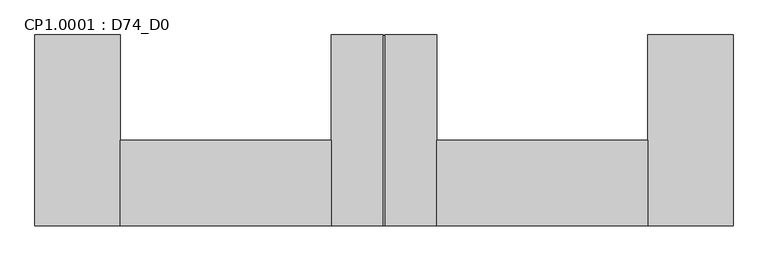
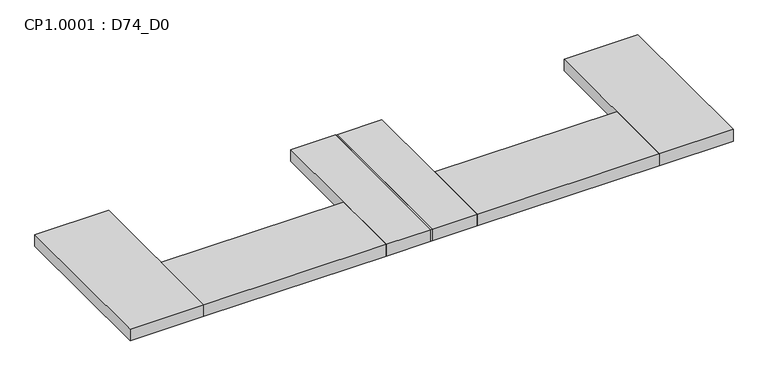
"""IFC4 building model written with IfcOpenShell, lengths in millimetres: proxy geometry, CP1.0001 : D74_D0."""

from ifc_helpers import new_model, si_unit, origin, origin_with_axes, place, context, project, spatial, polyline, outline, extrude, source, transform, mapped, element, save


def cp1_0001_d74_d0_bcc6646c(model_context):
    return source(origin(), model_context, "Body", "SweptSolid", [
        extrude(outline(polyline([(-1850.0, 1630.0), (-1850.0, 1330.0), (-2590.0, 1330.0), (-2590.0, 1630.0), (-1850.0, 1630.0)])), origin_with_axes(), (0.0, 0.0, 1.0), 50.0),
        extrude(outline(polyline([(-2772.5, 1997.5), (-2772.5, 1330.0), (-2777.5, 1330.0), (-2777.5, 1997.5), (-2772.5, 1997.5)])), origin_with_axes(), (0.0, 0.0, 1.0), 50.0),
        extrude(outline(polyline([(-2960.0, 1630.0), (-2960.0, 1330.0), (-3700.0, 1330.0), (-3700.0, 1630.0), (-2960.0, 1630.0)])), origin_with_axes(), (0.0, 0.0, 1.0), 50.0),
        extrude(outline(polyline([(-1550.0, 2000.0), (-1550.0, 1330.0), (-1850.0, 1330.0), (-1850.0, 2000.0), (-1550.0, 2000.0)])), origin_with_axes(), (0.0, 0.0, 1.0), 50.0),
        extrude(outline(polyline([(-2590.0, 2000.0), (-2590.0, 1330.0), (-2772.5, 1330.0), (-2772.5, 2000.0), (-2590.0, 2000.0)])), origin_with_axes(), (0.0, 0.0, 1.0), 50.0),
        extrude(outline(polyline([(-2777.5, 2000.0), (-2777.5, 1330.0), (-2960.0, 1330.0), (-2960.0, 2000.0), (-2777.5, 2000.0)])), origin_with_axes(), (0.0, 0.0, 1.0), 50.0),
        extrude(outline(polyline([(-3700.0, 2000.0), (-3700.0, 1330.0), (-4000.0, 1330.0), (-4000.0, 2000.0), (-3700.0, 2000.0)])), origin_with_axes(), (0.0, 0.0, 1.0), 50.0),
    ])


if __name__ == "__main__":
    model = new_model("IFC4")
    model_context = context("Model", 3, world=origin())
    ifc_project = project(units=[si_unit("LENGTHUNIT", "METRE", prefix="MILLI")], contexts=[model_context])
    site = spatial("IfcSite", under=ifc_project)
    building = spatial("IfcBuilding", under=site)
    placement = place(None, origin())
    cp1_0001_d74_d0_shape = cp1_0001_d74_d0_bcc6646c(model_context)
    element("IfcBuildingElementProxy", 1, Name="CP1.0001 : D74_D0", ObjectType="CP1.0001 : D74_D0", at=placement, inside=building, context=model_context, shape_type="MappedRepresentation", body=[
        mapped(cp1_0001_d74_d0_shape, transform((0.0, 0.0, 0.0), x_axis=(1.0, 0.0, 0.0), y_axis=(0.0, 1.0, 0.0), z_axis=(0.0, 0.0, 1.0))),
    ])
    save(model, "model.ifc")
